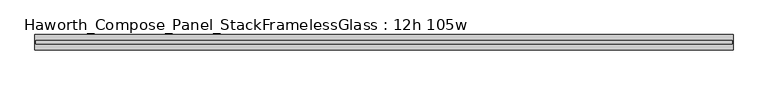
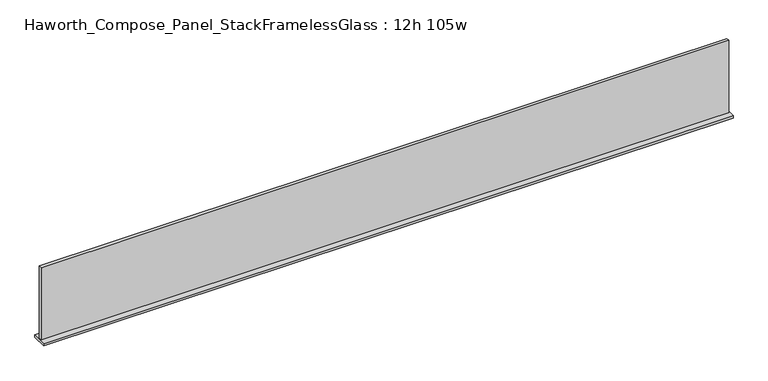
"""IFC4 building model written with IfcOpenShell, lengths in millimetres: furniture geometry, Haworth_Compose_Panel_StackFramelessGlass : 12h 105w."""

from ifc_helpers import new_model, si_unit, frame, origin, place, context, project, spatial, polyline, outline, extrude, source, transform, mapped, element, save


def haworth_compose_panel_stackframelessglass_12h_105w_2ee048b9(model_context):
    return source(origin(), model_context, "Body", "SweptSolid", [
        extrude(outline(polyline([(1332.7652902, -27.3093594), (-1327.8847098, -27.3093594), (-1327.8847098, -14.6093594), (1332.7652902, -14.6093594), (1332.7652902, -27.3093594)])), frame((0.0, 0.0, 1279.525), z_axis=(0.0, 0.0, 1.0), x_axis=(1.0, 0.0, 0.0)), (0.0, 0.0, 1.0), 295.275),
        extrude(outline(polyline([(-1331.0597098, -50.3281094), (-1331.0597098, 8.4093906), (1335.9402902, 8.4093906), (1335.9402902, -50.3281094), (-1331.0597098, -50.3281094)])), frame((0.0, 0.0, 1270.0), z_axis=(0.0, 0.0, 1.0), x_axis=(1.0, 0.0, 0.0)), (0.0, 0.0, 1.0), 9.525),
    ])


if __name__ == "__main__":
    model = new_model("IFC4")
    model_context = context("Model", 3, world=origin())
    ifc_project = project(units=[si_unit("LENGTHUNIT", "METRE", prefix="MILLI")], contexts=[model_context])
    site = spatial("IfcSite", under=ifc_project)
    building = spatial("IfcBuilding", under=site)
    placement = place(None, origin())
    haworth_compose_panel_stackframelessglass_12h_105w_shape = haworth_compose_panel_stackframelessglass_12h_105w_2ee048b9(model_context)
    element("IfcFurniture", 1, ObjectType="Haworth_Compose_Panel_StackFramelessGlass : 12h 105w", at=placement, inside=building, context=model_context, shape_type="MappedRepresentation", body=[
        mapped(haworth_compose_panel_stackframelessglass_12h_105w_shape, transform((0.0, 0.0, 0.0), x_axis=(1.0, 0.0, 0.0), y_axis=(0.0, 1.0, 0.0), z_axis=(0.0, 0.0, 1.0))),
    ])
    save(model, "model.ifc")
